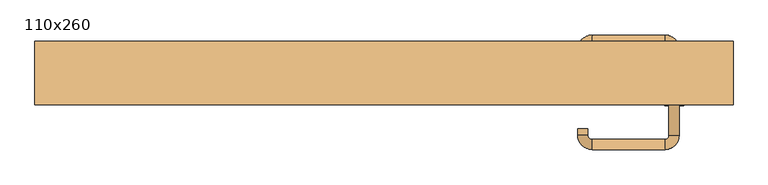
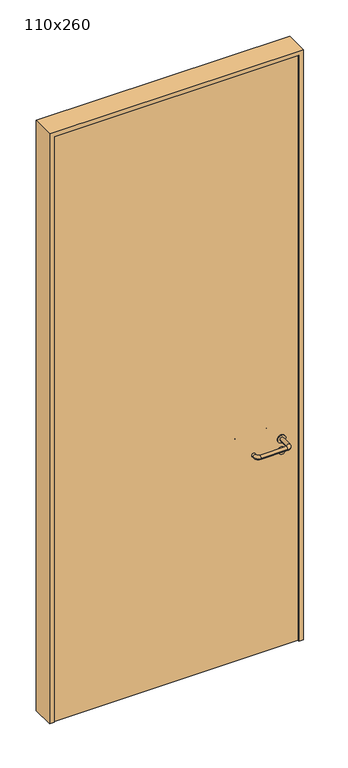
"""IFC4 building model written with IfcOpenShell, lengths in millimetres: door geometry, 110x260."""

from ifc_helpers import new_model, si_unit, point, frame, frame_2d, origin, origin_with_axes, place, context, project, spatial, polyline, circle_curve, ellipse_curve, trimmed, segment, composite_curve, outline, extrude, source, transform, mapped, element, save
from ifc_brep_helpers import plane_surface, cylinder_surface, revolved_surface, advanced_brep


def door_110x260_1b786420(model_context):
    return source(origin(), model_context, "Body", "SolidModel", [
        extrude(outline(composite_curve([segment(trimmed(circle_curve(frame_2d((897.3605726, 457.0)), 15.0), [point((897.3605726, 472.0))], [point((897.3605726, 442.0))], False, "CARTESIAN"), True, "CONTINUOUS"), segment(trimmed(circle_curve(frame_2d((897.3605726, 457.0)), 15.0), [point((897.3605726, 442.0))], [point((897.3605726, 472.0))], False, "CARTESIAN"), True, "CONTINUOUS")], self_intersect=False), holes=[composite_curve([segment(trimmed(circle_curve(frame_2d((892.5833211, 456.9398032)), 2.0), [point((892.5833211, 458.9398032))], [point((892.5833211, 454.9398032))], True, "CARTESIAN"), True, "CONTINUOUS"), segment(polyline([(892.5833211, 454.9398032), (902.5833211, 454.9398032)]), True, "CONTINUOUS"), segment(trimmed(circle_curve(frame_2d((902.5833211, 456.9398032)), 2.0), [point((902.5833211, 454.9398032))], [point((902.5833211, 458.9398032))], True, "CARTESIAN"), True, "CONTINUOUS"), segment(polyline([(902.5833211, 458.9398032), (892.5833211, 458.9398032)]), True, "CONTINUOUS")], self_intersect=False)]), frame((0.0, -40.0, 0.0), z_axis=(0.0, 1.0, 0.0), x_axis=(0.0, 0.0, 1.0)), (0.0, 0.0, 1.0), 6.35),
        extrude(outline(composite_curve([segment(trimmed(circle_curve(frame_2d((950.0, 457.0)), 17.526), [point((950.0, 474.526))], [point((950.0, 439.474))], False, "CARTESIAN"), True, "CONTINUOUS"), segment(trimmed(circle_curve(frame_2d((950.0, 457.0)), 17.526), [point((950.0, 439.474))], [point((950.0, 474.526))], False, "CARTESIAN"), True, "CONTINUOUS")], self_intersect=False)), frame((0.0, -40.0, 0.0), z_axis=(0.0, 1.0, 0.0), x_axis=(0.0, 0.0, 1.0)), (0.0, 0.0, 1.0), 3.175),
        advanced_brep(
        [(465.0, -40.0, 950.0), (449.0, -40.0, 950.0), (465.0, 13.0, 950.0), (449.0, 13.0, 950.0), (442.8578644, 19.1421356, 950.0), (442.8578644, 35.1421356, 950.0), (327.8578644, 35.1421356, 950.0), (327.8578644, 19.1421356, 950.0), (321.008622, 12.2928932, 950.0), (305.008622, 12.2928932, 950.0), (305.008622, 2.2928932, 950.0), (321.008622, 2.2928932, 950.0)],
        [
            (0, 1, circle_curve(frame((457.0, -40.0, 950.0), z_axis=(0.0, -1.0, 0.0), x_axis=(-1.0, 0.0, 0.0)), 8.0)),
            (1, 0, circle_curve(frame((457.0, -40.0, 950.0), z_axis=(0.0, -1.0, 0.0), x_axis=(-1.0, 0.0, 0.0)), 8.0)),
            (0, 2),
            (2, 3, circle_curve(frame((457.0, 13.0, 950.0), z_axis=(0.0, -1.0, 0.0), x_axis=(-1.0, 0.0, 0.0)), 8.0)),
            (3, 1),
            (3, 2, circle_curve(frame((457.0, 13.0, 950.0), z_axis=(0.0, -1.0, 0.0), x_axis=(-1.0, 0.0, 0.0)), 8.0)),
            (4, 3, circle_curve(frame((442.8578644, 13.0, 950.0), z_axis=(0.0, 0.0, -1.0), x_axis=(1.0, 0.0, 0.0)), 6.1421356)),
            (2, 5, circle_curve(frame((442.8578644, 13.0, 950.0), z_axis=(0.0, 0.0, 1.0), x_axis=(1.0, 0.0, 0.0)), 22.1421356)),
            (5, 4, circle_curve(frame((442.8578644, 27.1421356, 950.0), z_axis=(1.0, 0.0, 0.0), x_axis=(0.0, -1.0, 0.0)), 8.0)),
            (4, 5, circle_curve(frame((442.8578644, 27.1421356, 950.0), z_axis=(1.0, 0.0, 0.0), x_axis=(0.0, -1.0, 0.0)), 8.0)),
            (5, 6),
            (6, 7, circle_curve(frame((327.8578644, 27.1421356, 950.0), z_axis=(1.0, 0.0, 0.0), x_axis=(0.0, -1.0, 0.0)), 8.0)),
            (7, 4),
            (7, 6, circle_curve(frame((327.8578644, 27.1421356, 950.0), z_axis=(1.0, 0.0, 0.0), x_axis=(0.0, -1.0, 0.0)), 8.0)),
            (8, 7, circle_curve(frame((327.8578644, 12.2928932, 950.0), z_axis=(0.0, 0.0, -1.0), x_axis=(0.0, 1.0, 0.0)), 6.8492424)),
            (6, 9, circle_curve(frame((327.8578644, 12.2928932, 950.0), z_axis=(0.0, 0.0, 1.0), x_axis=(0.0, 1.0, 0.0)), 22.8492424)),
            (9, 8, circle_curve(frame((313.008622, 12.2928932, 950.0), z_axis=(0.0, 1.0, 0.0), x_axis=(1.0, 0.0, 0.0)), 8.0)),
            (8, 9, circle_curve(frame((313.008622, 12.2928932, 950.0), z_axis=(0.0, 1.0, 0.0), x_axis=(1.0, 0.0, 0.0)), 8.0)),
            (10, 11, circle_curve(frame((313.008622, 2.2928932, 950.0), z_axis=(0.0, -1.0, 0.0), x_axis=(1.0, 0.0, 0.0)), 8.0)),
            (11, 10, circle_curve(frame((313.008622, 2.2928932, 950.0), z_axis=(0.0, -1.0, 0.0), x_axis=(1.0, 0.0, 0.0)), 8.0)),
            (9, 10),
            (11, 8),
        ],
        [
            plane_surface(frame((457.0, -40.0, 0.0), z_axis=(0.0, -1.0, 0.0), x_axis=(0.0, 0.0, 1.0))),
            cylinder_surface(frame((457.0, -40.0, 950.0), z_axis=(0.0, -1.0, 0.0), x_axis=(-1.0, 0.0, 0.0)), 8.0),
            revolved_surface(trimmed(ellipse_curve(frame((457.0, 13.0, 950.0), z_axis=(0.0, -1.0, 0.0), x_axis=(-1.0, 0.0, 0.0)), 8.0, 8.0), [point((465.0, 13.0, 950.0))], [point((449.0, 13.0, 950.0))], True, "CARTESIAN"), (442.8578644, 13.0, 0.0), (0.0, 0.0, 1.0)),
            revolved_surface(trimmed(ellipse_curve(frame((457.0, 13.0, 950.0), z_axis=(0.0, -1.0, 0.0), x_axis=(-1.0, 0.0, 0.0)), 8.0, 8.0), [point((449.0, 13.0, 950.0))], [point((465.0, 13.0, 950.0))], True, "CARTESIAN"), (442.8578644, 13.0, 0.0), (0.0, 0.0, 1.0)),
            cylinder_surface(frame((442.8578644, 27.1421356, 950.0), z_axis=(1.0, 0.0, 0.0), x_axis=(0.0, -1.0, 0.0)), 8.0),
            revolved_surface(trimmed(ellipse_curve(frame((327.8578644, 27.1421356, 950.0), z_axis=(1.0, 0.0, 0.0), x_axis=(0.0, -1.0, 0.0)), 8.0, 8.0), [point((327.8578644, 35.1421356, 950.0))], [point((327.8578644, 19.1421356, 950.0))], True, "CARTESIAN"), (327.8578644, 12.2928932, 0.0), (0.0, 0.0, 1.0)),
            revolved_surface(trimmed(ellipse_curve(frame((327.8578644, 27.1421356, 950.0), z_axis=(1.0, 0.0, 0.0), x_axis=(0.0, -1.0, 0.0)), 8.0, 8.0), [point((327.8578644, 19.1421356, 950.0))], [point((327.8578644, 35.1421356, 950.0))], True, "CARTESIAN"), (327.8578644, 12.2928932, 0.0), (0.0, 0.0, 1.0)),
            plane_surface(frame((313.008622, 2.2928932, 0.0), z_axis=(0.0, -1.0, 0.0), x_axis=(0.0, 0.0, 1.0))),
            cylinder_surface(frame((313.008622, 12.2928932, 950.0), z_axis=(0.0, 1.0, 0.0), x_axis=(1.0, 0.0, 0.0)), 8.0),
        ],
        [
            (0, [[1, 2]]),
            (1, [[-1, 3, 4, 5]]),
            (1, [[-2, -5, 6, -3]]),
            (2, [[7, -4, 8, 9]]),
            (3, [[-8, -6, -7, 10]]),
            (4, [[-9, 11, 12, 13]]),
            (4, [[-10, -13, 14, -11]]),
            (5, [[15, -12, 16, 17]]),
            (6, [[-16, -14, -15, 18]]),
            (7, [[19, 20]]),
            (8, [[-17, 21, -20, 22]]),
            (8, [[-18, -22, -19, -21]]),
        ],
    ),
        extrude(outline(composite_curve([segment(trimmed(circle_curve(frame_2d((0.0, 15.0)), 15.0), [point((0.0, 30.0))], [point((0.0, 0.0))], False, "CARTESIAN"), True, "CONTINUOUS"), segment(trimmed(circle_curve(frame_2d((0.0, 15.0)), 15.0), [point((0.0, 0.0))], [point((0.0, 30.0))], False, "CARTESIAN"), True, "CONTINUOUS")], self_intersect=False), holes=[composite_curve([segment(trimmed(circle_curve(frame_2d((-4.7772515, 14.9398032)), 2.0), [point((-4.7772515, 16.9398032))], [point((-4.7772515, 12.9398032))], True, "CARTESIAN"), True, "CONTINUOUS"), segment(polyline([(-4.7772515, 12.9398032), (5.2227485, 12.9398032)]), True, "CONTINUOUS"), segment(trimmed(circle_curve(frame_2d((5.2227485, 14.9398032)), 2.0), [point((5.2227485, 12.9398032))], [point((5.2227485, 16.9398032))], True, "CARTESIAN"), True, "CONTINUOUS"), segment(polyline([(5.2227485, 16.9398032), (-4.7772515, 16.9398032)]), True, "CONTINUOUS")], self_intersect=False)]), frame((442.0, -76.35, 897.3605726), z_axis=(-1.8870575173328306e-12, 1.0, 0.0), x_axis=(0.0, 0.0, 1.0)), (0.0, 0.0, 1.0), 6.35),
        extrude(outline(composite_curve([segment(trimmed(circle_curve(frame_2d((0.0, 17.526)), 17.526), [point((0.0, 35.052))], [point((0.0, 0.0))], False, "CARTESIAN"), True, "CONTINUOUS"), segment(trimmed(circle_curve(frame_2d((0.0, 17.526)), 17.526), [point((0.0, 0.0))], [point((0.0, 35.052))], False, "CARTESIAN"), True, "CONTINUOUS")], self_intersect=False)), frame((439.474, -73.175, 950.0), z_axis=(-1.8870575173328306e-12, 1.0, 0.0), x_axis=(0.0, 0.0, 1.0)), (0.0, 0.0, 1.0), 3.175),
        advanced_brep(
        [(465.0, -70.0, 950.0), (449.0, -70.0, 950.0), (449.0, -123.0, 950.0), (465.0, -123.0, 950.0), (442.8578644, -129.1421356, 950.0), (442.8578644, -145.1421356, 950.0), (327.8578644, -129.1421356, 950.0), (327.8578644, -145.1421356, 950.0), (321.008622, -122.2928932, 950.0), (305.008622, -122.2928932, 950.0), (305.008622, -112.2928932, 950.0), (321.008622, -112.2928932, 950.0)],
        [
            (0, 1, circle_curve(frame((457.0, -70.0, 950.0), z_axis=(-1.888672253512351e-12, 1.0, 0.0), x_axis=(-1.0, -1.888672253512351e-12, 0.0)), 8.0)),
            (1, 0, circle_curve(frame((457.0, -70.0, 950.0), z_axis=(-1.888672253512351e-12, 1.0, 0.0), x_axis=(-1.0, -1.888672253512351e-12, 0.0)), 8.0)),
            (1, 2),
            (2, 3, circle_curve(frame((457.0, -123.0, 950.0), z_axis=(-1.888672253512351e-12, 1.0, 0.0), x_axis=(-1.0, -1.888672253512351e-12, 0.0)), 8.0)),
            (3, 0),
            (3, 2, circle_curve(frame((457.0, -123.0, 950.0), z_axis=(-1.888672253512351e-12, 1.0, 0.0), x_axis=(-1.0, -1.888672253512351e-12, 0.0)), 8.0)),
            (4, 5, circle_curve(frame((442.8578644, -137.1421356, 950.0), z_axis=(1.0, 1.913702061528922e-12, 0.0), x_axis=(-1.913702061528922e-12, 1.0, 0.0)), 8.0)),
            (5, 3, circle_curve(frame((442.8578644, -123.0, 950.0), z_axis=(0.0, 0.0, 1.0), x_axis=(1.0, 1.880717803715015e-12, 0.0)), 22.1421356)),
            (2, 4, circle_curve(frame((442.8578644, -123.0, 950.0), z_axis=(0.0, 0.0, -1.0), x_axis=(1.0, 1.880717803715015e-12, 0.0)), 6.1421356)),
            (5, 4, circle_curve(frame((442.8578644, -137.1421356, 950.0), z_axis=(1.0, 1.913702061528922e-12, 0.0), x_axis=(-1.913702061528922e-12, 1.0, 0.0)), 8.0)),
            (4, 6),
            (6, 7, circle_curve(frame((327.8578644, -137.1421356, 950.0), z_axis=(1.0, 1.913719828541269e-12, 0.0), x_axis=(-1.913719828541269e-12, 1.0, 0.0)), 8.0)),
            (7, 5),
            (7, 6, circle_curve(frame((327.8578644, -137.1421356, 950.0), z_axis=(1.0, 1.913719828541269e-12, 0.0), x_axis=(-1.913719828541269e-12, 1.0, 0.0)), 8.0)),
            (8, 9, circle_curve(frame((313.008622, -122.2928932, 950.0), z_axis=(1.8888942981172756e-12, -1.0, 0.0), x_axis=(1.0, 1.8888942981172756e-12, 0.0)), 8.0)),
            (9, 7, circle_curve(frame((327.8578644, -122.2928932, 950.0), z_axis=(0.0, 0.0, 1.0), x_axis=(1.9120873253494017e-12, -1.0, 0.0)), 22.8492424)),
            (6, 8, circle_curve(frame((327.8578644, -122.2928932, 950.0), z_axis=(0.0, 0.0, -1.0), x_axis=(1.9120873253494017e-12, -1.0, 0.0)), 6.8492424)),
            (9, 8, circle_curve(frame((313.008622, -122.2928932, 950.0), z_axis=(1.890448610351751e-12, -1.0, 0.0), x_axis=(1.0, 1.890448610351751e-12, 0.0)), 8.0)),
            (10, 11, circle_curve(frame((313.008622, -112.2928932, 950.0), z_axis=(-1.8903642334018795e-12, 1.0, 0.0), x_axis=(1.0, 1.8903642334018795e-12, 0.0)), 8.0)),
            (11, 10, circle_curve(frame((313.008622, -112.2928932, 950.0), z_axis=(-1.8903642334018795e-12, 1.0, 0.0), x_axis=(1.0, 1.8903642334018795e-12, 0.0)), 8.0)),
            (8, 11),
            (10, 9),
        ],
        [
            plane_surface(frame((457.0, -70.0, 0.0), z_axis=(-1.8870575173328306e-12, 1.0, 0.0), x_axis=(0.0, 0.0, 1.0))),
            cylinder_surface(frame((457.0, -70.0, 950.0), z_axis=(-1.888672253512351e-12, 1.0, 0.0), x_axis=(-1.0, -1.888672253512351e-12, 0.0)), 8.0),
            revolved_surface(trimmed(ellipse_curve(frame((457.0, -123.0, 950.0), z_axis=(1.8823325398945356e-12, -1.0, 0.0), x_axis=(-1.0, -1.8823325398945356e-12, 0.0)), 8.0, 8.0), [point((465.0, -123.0, 950.0))], [point((449.0, -123.0, 950.0))], True, "CARTESIAN"), (442.8578644, -123.0, 0.0), (0.0, 0.0, 1.0)),
            revolved_surface(trimmed(ellipse_curve(frame((457.0, -123.0, 950.0), z_axis=(1.8823325398945356e-12, -1.0, 0.0), x_axis=(-1.0, -1.8823325398945356e-12, 0.0)), 8.0, 8.0), [point((449.0, -123.0, 950.0))], [point((465.0, -123.0, 950.0))], True, "CARTESIAN"), (442.8578644, -123.0, 0.0), (0.0, 0.0, 1.0)),
            cylinder_surface(frame((442.8578644, -137.1421356, 950.0), z_axis=(1.0, 1.913719828541269e-12, 0.0), x_axis=(-1.913719828541269e-12, 1.0, 0.0)), 8.0),
            revolved_surface(trimmed(ellipse_curve(frame((327.8578644, -137.1421356, 950.0), z_axis=(-1.0, -1.913702061528922e-12, 0.0), x_axis=(-1.913702061528922e-12, 1.0, 0.0)), 8.0, 8.0), [point((327.8578644, -145.1421356, 950.0))], [point((327.8578644, -129.1421356, 950.0))], True, "CARTESIAN"), (327.8578644, -122.2928932, 0.0), (0.0, 0.0, 1.0)),
            revolved_surface(trimmed(ellipse_curve(frame((327.8578644, -137.1421356, 950.0), z_axis=(-1.0, -1.913702061528922e-12, 0.0), x_axis=(-1.913702061528922e-12, 1.0, 0.0)), 8.0, 8.0), [point((327.8578644, -129.1421356, 950.0))], [point((327.8578644, -145.1421356, 950.0))], True, "CARTESIAN"), (327.8578644, -122.2928932, 0.0), (0.0, 0.0, 1.0)),
            plane_surface(frame((313.008622, -112.2928932, 0.0), z_axis=(-1.8887494972223595e-12, 1.0, 0.0), x_axis=(0.0, 0.0, 1.0))),
            cylinder_surface(frame((313.008622, -122.2928932, 950.0), z_axis=(1.8903642334018795e-12, -1.0, 0.0), x_axis=(1.0, 1.8903642334018795e-12, 0.0)), 8.0),
        ],
        [
            (0, [[1, 2]]),
            (1, [[3, 4, 5, -2]]),
            (1, [[-5, 6, -3, -1]]),
            (2, [[7, 8, -4, 9]]),
            (3, [[10, -9, -6, -8]]),
            (4, [[11, 12, 13, -7]]),
            (4, [[-13, 14, -11, -10]]),
            (5, [[15, 16, -12, 17]]),
            (6, [[18, -17, -14, -16]]),
            (7, [[19, 20]]),
            (8, [[21, -19, 22, -15]]),
            (8, [[-22, -20, -21, -18]]),
        ],
    ),
        extrude(outline(polyline([(2680.0, 530.0), (0.0, 530.0), (0.0, 550.0), (2700.0, 550.0), (2700.0, -550.0), (0.0, -550.0), (0.0, -530.0), (2680.0, -530.0), (2680.0, 530.0)])), frame((0.0, -75.0, 0.0), z_axis=(0.0, 1.0, 0.0), x_axis=(0.0, 0.0, 1.0)), (0.0, 0.0, 1.0), 100.0),
        extrude(outline(polyline([(-530.0, -70.0), (-530.0, -40.0), (530.0, -40.0), (530.0, -70.0), (-530.0, -70.0)])), origin_with_axes(), (0.0, 0.0, 1.0), 2680.0),
    ])


if __name__ == "__main__":
    model = new_model("IFC4")
    model_context = context("Model", 3, world=origin())
    ifc_project = project(units=[si_unit("LENGTHUNIT", "METRE", prefix="MILLI")], contexts=[model_context])
    site = spatial("IfcSite", under=ifc_project)
    building = spatial("IfcBuilding", under=site)
    placement = place(None, origin())
    door_110x260_shape = door_110x260_1b786420(model_context)
    element("IfcDoor", 1, ObjectType="110x260", at=placement, inside=building, context=model_context, shape_type="MappedRepresentation", body=[
        mapped(door_110x260_shape, transform((0.0, 0.0, 0.0), x_axis=(1.0, 0.0, 0.0), y_axis=(0.0, 1.0, 0.0), z_axis=(0.0, 0.0, 1.0))),
    ])
    save(model, "model.ifc")
